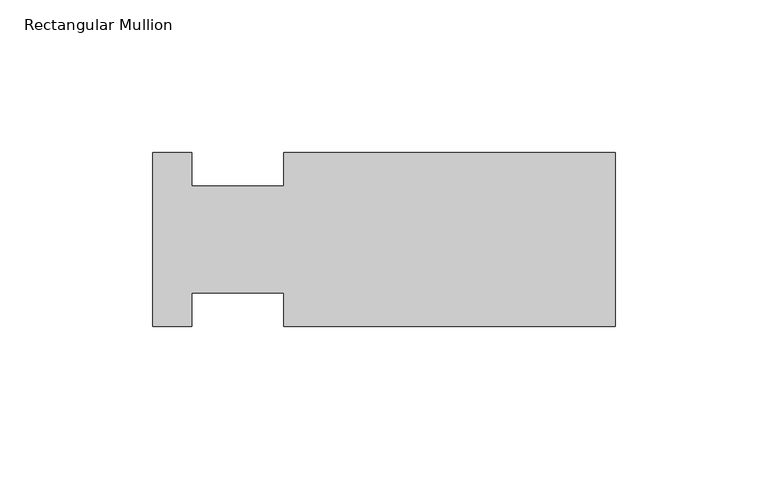
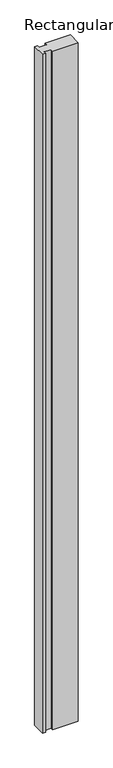
"""IFC4 building model written with IfcOpenShell, lengths in millimetres: member geometry, Rectangular Mullion."""

import ifcopenshell
import ifcopenshell.guid

model = None  # the IFC model being written
_history = None  # IfcOwnerHistory: only IFC2X3 demands one
_inside = {}  # id of a spatial element -> (the spatial element, [elements in it])
_under = {}  # id of a project, library or spatial element -> (it, [spatial elements below it])
_declared = {}  # id of a project -> (the project, [libraries it declares])
_typed = {}  # id of a type object -> (the type object, [elements of that type])
_made_of = {}  # id of a material, layer set ... -> (it, [elements and type objects made of it])


def new_model(schema):
    """Start an empty IFC model of exactly this schema.

    Asked for "IFC4X3", IfcOpenShell would pick the latest addendum, in which some entities
    have other attributes; the version numbers below select the first issue.
    IFC2X3 requires an IfcOwnerHistory on every rooted entity: one is made here for all.
    """
    global model, _history
    if schema == "IFC4X3":
        model = ifcopenshell.file(schema_version=(4, 3, 0, 0))
    else:
        model = ifcopenshell.file(schema=schema)
    _inside.clear()
    _under.clear()
    _declared.clear()
    _typed.clear()
    _made_of.clear()
    _history = None
    if model.schema == "IFC2X3":
        org = make("IfcOrganization", Name="unknown")
        user = make(
            "IfcPersonAndOrganization",
            ThePerson=make("IfcPerson", FamilyName="unknown"),
            TheOrganization=org,
        )
        app = make(
            "IfcApplication",
            ApplicationDeveloper=org,
            Version="unknown",
            ApplicationFullName="unknown",
            ApplicationIdentifier="unknown",
        )
        _history = make(
            "IfcOwnerHistory",
            OwningUser=user,
            OwningApplication=app,
            ChangeAction="ADDED",
            CreationDate=0,
        )
    return model


def make(cls, **values):
    """One entity of the class cls with the attributes given. An attribute that is None is left unset."""
    return model.create_entity(
        cls, **{name: value for name, value in values.items() if value is not None}
    )


def rooted(cls, **values):
    """An entity with a GlobalId (a new one), such as an element, a storey or a relation."""
    return make(cls, GlobalId=ifcopenshell.guid.new(), OwnerHistory=_history, **values)


def si_unit(unit_type, name, prefix=None):
    """IfcSIUnit, for example si_unit("LENGTHUNIT", "METRE", prefix="MILLI")."""
    return make("IfcSIUnit", UnitType=unit_type, Prefix=prefix, Name=name)


def assignment(units):
    """IfcUnitAssignment: the units of a project."""
    return None if units is None else make("IfcUnitAssignment", Units=units)


def point(xyz):
    """IfcCartesianPoint."""
    return None if xyz is None else make("IfcCartesianPoint", Coordinates=xyz)


def direction(xyz):
    """IfcDirection."""
    return None if xyz is None else make("IfcDirection", DirectionRatios=xyz)


def frame(location, z_axis=None, x_axis=None):
    """IfcAxis2Placement3D, a coordinate frame: its origin and axes. An axis left out is left unset."""
    return make(
        "IfcAxis2Placement3D",
        Location=point(location),
        Axis=direction(z_axis),
        RefDirection=direction(x_axis),
    )


def origin():
    """The frame at (0, 0, 0) with its axes left unset."""
    return frame((0.0, 0.0, 0.0))


def place(relative_to, where):
    """IfcLocalPlacement: puts the frame where relative to a parent placement (None: the world)."""
    return make(
        "IfcLocalPlacement", PlacementRelTo=relative_to, RelativePlacement=where
    )


def context(
    kind, dimensions, precision=None, world=None, true_north=None, identifier=None
):
    """IfcGeometricRepresentationContext, for example the 3D "Model" context."""
    return make(
        "IfcGeometricRepresentationContext",
        ContextIdentifier=identifier,
        ContextType=kind,
        CoordinateSpaceDimension=dimensions,
        Precision=precision,
        WorldCoordinateSystem=world,
        TrueNorth=true_north,
    )


def project(units=None, contexts=None):
    """IfcProject with its units and contexts."""
    return rooted(
        "IfcProject",
        Name="project",
        RepresentationContexts=contexts,
        UnitsInContext=assignment(units),
    )


def spatial(cls, under=None, at=None, **own):
    """A site, building, storey or space (cls), placed at a placement, below another one or the project."""
    s = rooted(cls, ObjectPlacement=at, **own)
    if under is not None:
        _under.setdefault(under.id(), (under, []))[1].append(s)
    return s


def polyline(points):
    """IfcPolyline through the points."""
    return make("IfcPolyline", Points=[point(p) for p in points])


def outline(outer, holes=None, kind="AREA"):
    """IfcArbitraryClosedProfileDef: a profile drawn as a closed curve; with holes, ...WithVoids."""
    if holes is None:
        return make("IfcArbitraryClosedProfileDef", ProfileType=kind, OuterCurve=outer)
    return make(
        "IfcArbitraryProfileDefWithVoids",
        ProfileType=kind,
        OuterCurve=outer,
        InnerCurves=holes,
    )


def extrude(swept, where, along, depth):
    """IfcExtrudedAreaSolid: the profile swept, set in the frame where, extruded along a direction by depth."""
    return make(
        "IfcExtrudedAreaSolid",
        SweptArea=swept,
        Position=where,
        ExtrudedDirection=direction(along),
        Depth=depth,
    )


def shape(context_of_items, identifier, shape_type, items):
    """IfcShapeRepresentation: the items that make up one representation, for example the "Body"."""
    return make(
        "IfcShapeRepresentation",
        ContextOfItems=context_of_items,
        RepresentationIdentifier=identifier,
        RepresentationType=shape_type,
        Items=items,
    )


def source(mapping_origin, context_of_items, identifier, shape_type, items):
    """IfcRepresentationMap: a shape defined once, which mapped items show again and again."""
    return make(
        "IfcRepresentationMap",
        MappingOrigin=mapping_origin,
        MappedRepresentation=shape(context_of_items, identifier, shape_type, items),
    )


def transform(
    local_origin,
    x_axis=None,
    y_axis=None,
    z_axis=None,
    scale=None,
    scale2=None,
    scale3=None,
    uniform=True,
):
    """IfcCartesianTransformationOperator3D, or its non-uniform kind. x_axis, y_axis, z_axis: its Axis1, 2, 3."""
    if uniform:
        return make(
            "IfcCartesianTransformationOperator3D",
            Axis1=direction(x_axis),
            Axis2=direction(y_axis),
            LocalOrigin=point(local_origin),
            Scale=scale,
            Axis3=direction(z_axis),
        )
    return make(
        "IfcCartesianTransformationOperator3DnonUniform",
        Axis1=direction(x_axis),
        Axis2=direction(y_axis),
        LocalOrigin=point(local_origin),
        Scale=scale,
        Axis3=direction(z_axis),
        Scale2=scale2,
        Scale3=scale3,
    )


def mapped(mapping_source, mapping_target):
    """IfcMappedItem: shows the shape of a source again, moved by a transform."""
    return make(
        "IfcMappedItem", MappingSource=mapping_source, MappingTarget=mapping_target
    )


def made_of(thing, what):
    """Note that an element or type object is made of a material, layer set ...; save() writes the relation."""
    if what is not None:
        _made_of.setdefault(what.id(), (what, []))[1].append(thing)
    return thing


def element(
    cls,
    number,
    at=None,
    inside=None,
    cuts=None,
    type_object=None,
    material=None,
    context=None,
    identifier="Body",
    shape_type=None,
    held_by="IfcProductDefinitionShape",
    body=None,
    shapes=None,
    **own,
):
    """One element of the class cls, such as IfcWall. Its Tag is "e" and its number.

    at: its placement. inside: the storey or other place that contains it. cuts: it is an
    opening in that element (IfcRelVoidsElement). A single representation is given by context,
    identifier, shape_type and body (its items); several are given by shapes. held_by: the class
    of the entity that holds the representations. save() writes the other relations.
    """
    e = rooted(cls, Tag="e%d" % number, ObjectPlacement=at, **own)
    if body is not None:
        shapes = [shape(context, identifier, shape_type, body)]
    if shapes is not None:
        e.Representation = make(held_by, Representations=shapes)
    if inside is not None:
        _inside.setdefault(inside.id(), (inside, []))[1].append(e)
    if cuts is not None:
        rooted(
            "IfcRelVoidsElement", RelatingBuildingElement=cuts, RelatedOpeningElement=e
        )
    if type_object is not None:
        _typed.setdefault(type_object.id(), (type_object, []))[1].append(e)
    return made_of(e, material)


def aggregate(whole, parts):
    """IfcRelAggregates: a whole, such as a stair, and the parts it consists of."""
    return rooted("IfcRelAggregates", RelatingObject=whole, RelatedObjects=parts)


def save(model, path):
    """Write the relations noted so far, then the file.

    IfcRelAggregates (storeys below a building ...), IfcRelContainedInSpatialStructure (elements
    in a storey), IfcRelDefinesByType, IfcRelAssociatesMaterial and IfcRelDeclares: one each for
    every whole, place, type object, material and project.
    """
    for whole, parts in _under.values():
        aggregate(whole, parts)
    for where, things in _inside.values():
        rooted(
            "IfcRelContainedInSpatialStructure",
            RelatedElements=things,
            RelatingStructure=where,
        )
    for kind, things in _typed.values():
        rooted("IfcRelDefinesByType", RelatedObjects=things, RelatingType=kind)
    for what, things in _made_of.values():
        rooted("IfcRelAssociatesMaterial", RelatedObjects=things, RelatingMaterial=what)
    for by, libraries in _declared.values():
        rooted("IfcRelDeclares", RelatingContext=by, RelatedDefinitions=libraries)
    model.write(path)


def rectangular_mullion_788a1b19(model_context):
    return source(origin(), model_context, "Body", "SweptSolid", [
        extrude(outline(polyline([(-151.6888, -29.0155975), (-151.6888, 28.1344025), (-138.8027648, 28.1344025), (-138.8027648, 17.0219025), (-108.6612, 17.0219025), (-108.6612, 28.1344025), (0.0, 28.1344025), (0.0, -29.0155975), (-108.6612, -29.0155975), (-108.6612, -17.9030975), (-138.8027648, -17.9030975), (-138.8027648, -29.0155975), (-151.6888, -29.0155975)])), frame((0.0, 0.0, -3048.0), z_axis=(0.0, 0.0, 1.0), x_axis=(1.0, 0.0, 0.0)), (0.0, 0.0, 1.0), 3048.0),
    ])


if __name__ == "__main__":
    model = new_model("IFC4")
    model_context = context("Model", 3, world=origin())
    ifc_project = project(units=[si_unit("LENGTHUNIT", "METRE", prefix="MILLI")], contexts=[model_context])
    site = spatial("IfcSite", under=ifc_project)
    building = spatial("IfcBuilding", under=site)
    placement = place(None, origin())
    rectangular_mullion_shape = rectangular_mullion_788a1b19(model_context)
    element("IfcMember", 1, ObjectType="Rectangular Mullion", at=placement, inside=building, context=model_context, shape_type="MappedRepresentation", body=[
        mapped(rectangular_mullion_shape, transform((0.0, 0.0, 0.0), x_axis=(1.0, 0.0, 0.0), y_axis=(0.0, 1.0, 0.0), z_axis=(0.0, 0.0, 1.0))),
    ])
    save(model, "model.ifc")
